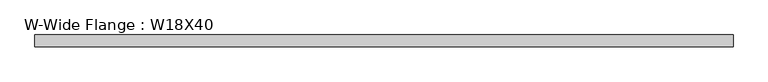
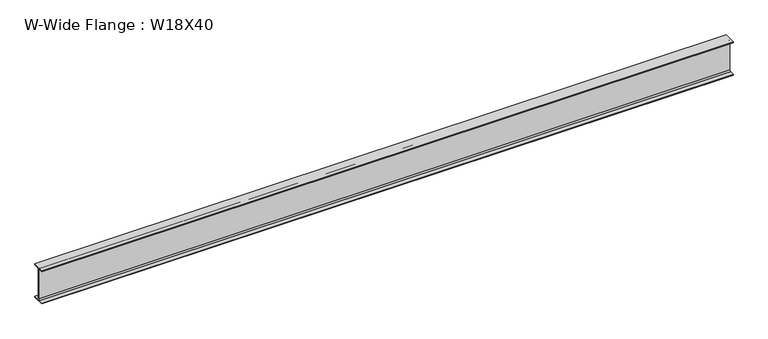
"""IFC4 building model written with IfcOpenShell, lengths in millimetres: beam geometry, W-Wide Flange : W18X40."""

from ifc_helpers import new_model, si_unit, point, frame, frame_2d, origin, place, context, project, spatial, polyline, circle_curve, trimmed, segment, composite_curve, outline, extrude, source, transform, mapped, element, save


def w_wide_flange_w18x40_c4be4697(model_context):
    return source(origin(), model_context, "Body", "SweptSolid", [
        extrude(outline(composite_curve([segment(polyline([(76.4480469, -214.0148438), (76.4480469, -227.3101563), (-76.4480469, -227.3101563), (-76.4480469, -214.0148438), (-20.8855469, -214.0148438)]), True, "CONTINUOUS"), segment(trimmed(circle_curve(frame_2d((-20.8855469, -197.1476563)), 16.8671875), [point((-20.8855469, -214.0148438))], [point((-4.0183594, -197.1476563))], True, "CARTESIAN"), True, "CONTINUOUS"), segment(polyline([(-4.0183594, -197.1476563), (-4.0183594, 197.1476562)]), True, "CONTINUOUS"), segment(trimmed(circle_curve(frame_2d((-20.8855469, 197.1476562)), 16.8671875), [point((-4.0183594, 197.1476562))], [point((-20.8855469, 214.0148437))], True, "CARTESIAN"), True, "CONTINUOUS"), segment(polyline([(-20.8855469, 214.0148437), (-76.4480469, 214.0148437), (-76.4480469, 227.3101562), (76.4480469, 227.3101562), (76.4480469, 214.0148437), (20.8855469, 214.0148437)]), True, "CONTINUOUS"), segment(trimmed(circle_curve(frame_2d((20.8855469, 197.1476562)), 16.8671875), [point((20.8855469, 214.0148437))], [point((4.0183594, 197.1476562))], True, "CARTESIAN"), True, "CONTINUOUS"), segment(polyline([(4.0183594, 197.1476562), (4.0183594, -197.1476563)]), True, "CONTINUOUS"), segment(trimmed(circle_curve(frame_2d((20.8855469, -197.1476563)), 16.8671875), [point((4.0183594, -197.1476563))], [point((20.8855469, -214.0148438))], True, "CARTESIAN"), True, "CONTINUOUS"), segment(polyline([(20.8855469, -214.0148438), (76.4480469, -214.0148438)]), True, "CONTINUOUS")], self_intersect=False)), frame((-4457.6503906, 0.0, 0.0), z_axis=(1.0, 0.0, 0.0), x_axis=(0.0, 1.0, 0.0)), (0.0, 0.0, 1.0), 8915.3007813),
    ])


if __name__ == "__main__":
    model = new_model("IFC4")
    model_context = context("Model", 3, world=origin())
    ifc_project = project(units=[si_unit("LENGTHUNIT", "METRE", prefix="MILLI")], contexts=[model_context])
    site = spatial("IfcSite", under=ifc_project)
    building = spatial("IfcBuilding", under=site)
    placement = place(None, origin())
    w_wide_flange_w18x40_shape = w_wide_flange_w18x40_c4be4697(model_context)
    element("IfcBeam", 1, ObjectType="W-Wide Flange : W18X40", at=placement, inside=building, context=model_context, shape_type="MappedRepresentation", body=[
        mapped(w_wide_flange_w18x40_shape, transform((0.0, 0.0, 0.0), x_axis=(1.0, 0.0, 0.0), y_axis=(0.0, 1.0, 0.0), z_axis=(0.0, 0.0, 1.0))),
    ])
    save(model, "model.ifc")
